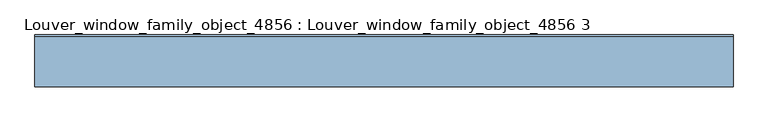
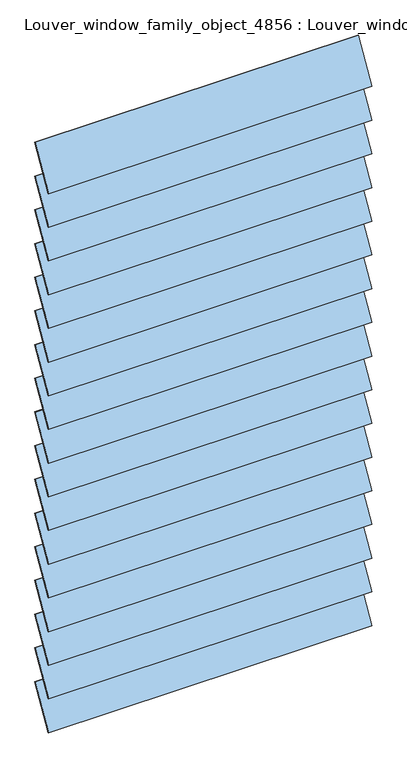
"""IFC4 building model written with IfcOpenShell, lengths in millimetres: window geometry, Louver_window_family_object_4856 : Louver_window_family_object_4856 3."""

from ifc_helpers import new_model, si_unit, point, frame, frame_2d, origin, place, context, project, spatial, polyline, circle_curve, trimmed, segment, composite_curve, outline, extrude, source, transform, mapped, element, save


def louver_window_family_object_4856_louver_window_family_object_f98d7ef6(model_context):
    return source(origin(), model_context, "Body", "SweptSolid", [
        extrude(outline(composite_curve([segment(polyline([(39.4665462, 3122.7080632), (-36.7169155, 2990.7544368)]), True, "CONTINUOUS"), segment(trimmed(circle_curve(frame_2d((0.0, 3057.525)), 76.2), [point((-36.7169155, 2990.7544368))], [point((-39.4665462, 2992.3419368))], False, "CARTESIAN"), True, "CONTINUOUS"), segment(polyline([(-39.4665462, 2992.3419368), (36.7169155, 3124.2955632)]), True, "CONTINUOUS"), segment(trimmed(circle_curve(frame_2d((0.0, 3057.525)), 76.2), [point((36.7169155, 3124.2955632))], [point((39.4665462, 3122.7080632))], False, "CARTESIAN"), True, "CONTINUOUS")], self_intersect=False)), frame((-533.4, 0.0, 0.0), z_axis=(1.0, 0.0, 0.0), x_axis=(0.0, 1.0, 0.0)), (0.0, 0.0, 1.0), 1066.8),
        extrude(outline(composite_curve([segment(polyline([(39.4665462, 3005.2330632), (-36.7169155, 2873.2794368)]), True, "CONTINUOUS"), segment(trimmed(circle_curve(frame_2d((0.0, 2940.05)), 76.2), [point((-36.7169155, 2873.2794368))], [point((-39.4665462, 2874.8669368))], False, "CARTESIAN"), True, "CONTINUOUS"), segment(polyline([(-39.4665462, 2874.8669368), (36.7169155, 3006.8205632)]), True, "CONTINUOUS"), segment(trimmed(circle_curve(frame_2d((0.0, 2940.05)), 76.2), [point((36.7169155, 3006.8205632))], [point((39.4665462, 3005.2330632))], False, "CARTESIAN"), True, "CONTINUOUS")], self_intersect=False)), frame((-533.4, 0.0, 0.0), z_axis=(1.0, 0.0, 0.0), x_axis=(0.0, 1.0, 0.0)), (0.0, 0.0, 1.0), 1066.8),
        extrude(outline(composite_curve([segment(polyline([(39.4665462, 2887.7580632), (-36.7169155, 2755.8044368)]), True, "CONTINUOUS"), segment(trimmed(circle_curve(frame_2d((0.0, 2822.575)), 76.2), [point((-36.7169155, 2755.8044368))], [point((-39.4665462, 2757.3919368))], False, "CARTESIAN"), True, "CONTINUOUS"), segment(polyline([(-39.4665462, 2757.3919368), (36.7169155, 2889.3455632)]), True, "CONTINUOUS"), segment(trimmed(circle_curve(frame_2d((0.0, 2822.575)), 76.2), [point((36.7169155, 2889.3455632))], [point((39.4665462, 2887.7580632))], False, "CARTESIAN"), True, "CONTINUOUS")], self_intersect=False)), frame((-533.4, 0.0, 0.0), z_axis=(1.0, 0.0, 0.0), x_axis=(0.0, 1.0, 0.0)), (0.0, 0.0, 1.0), 1066.8),
        extrude(outline(composite_curve([segment(polyline([(39.4665462, 2770.2830632), (-36.7169155, 2638.3294368)]), True, "CONTINUOUS"), segment(trimmed(circle_curve(frame_2d((0.0, 2705.1)), 76.2), [point((-36.7169155, 2638.3294368))], [point((-39.4665462, 2639.9169368))], False, "CARTESIAN"), True, "CONTINUOUS"), segment(polyline([(-39.4665462, 2639.9169368), (36.7169155, 2771.8705632)]), True, "CONTINUOUS"), segment(trimmed(circle_curve(frame_2d((0.0, 2705.1)), 76.2), [point((36.7169155, 2771.8705632))], [point((39.4665462, 2770.2830632))], False, "CARTESIAN"), True, "CONTINUOUS")], self_intersect=False)), frame((-533.4, 0.0, 0.0), z_axis=(1.0, 0.0, 0.0), x_axis=(0.0, 1.0, 0.0)), (0.0, 0.0, 1.0), 1066.8),
        extrude(outline(composite_curve([segment(polyline([(39.4665462, 2652.8080632), (-36.7169155, 2520.8544368)]), True, "CONTINUOUS"), segment(trimmed(circle_curve(frame_2d((0.0, 2587.625)), 76.2), [point((-36.7169155, 2520.8544368))], [point((-39.4665462, 2522.4419368))], False, "CARTESIAN"), True, "CONTINUOUS"), segment(polyline([(-39.4665462, 2522.4419368), (36.7169155, 2654.3955632)]), True, "CONTINUOUS"), segment(trimmed(circle_curve(frame_2d((0.0, 2587.625)), 76.2), [point((36.7169155, 2654.3955632))], [point((39.4665462, 2652.8080632))], False, "CARTESIAN"), True, "CONTINUOUS")], self_intersect=False)), frame((-533.4, 0.0, 0.0), z_axis=(1.0, 0.0, 0.0), x_axis=(0.0, 1.0, 0.0)), (0.0, 0.0, 1.0), 1066.8),
        extrude(outline(composite_curve([segment(polyline([(39.4665462, 2535.3330632), (-36.7169155, 2403.3794368)]), True, "CONTINUOUS"), segment(trimmed(circle_curve(frame_2d((0.0, 2470.15)), 76.2), [point((-36.7169155, 2403.3794368))], [point((-39.4665462, 2404.9669368))], False, "CARTESIAN"), True, "CONTINUOUS"), segment(polyline([(-39.4665462, 2404.9669368), (36.7169155, 2536.9205632)]), True, "CONTINUOUS"), segment(trimmed(circle_curve(frame_2d((0.0, 2470.15)), 76.2), [point((36.7169155, 2536.9205632))], [point((39.4665462, 2535.3330632))], False, "CARTESIAN"), True, "CONTINUOUS")], self_intersect=False)), frame((-533.4, 0.0, 0.0), z_axis=(1.0, 0.0, 0.0), x_axis=(0.0, 1.0, 0.0)), (0.0, 0.0, 1.0), 1066.8),
        extrude(outline(composite_curve([segment(polyline([(39.4665462, 2417.8580632), (-36.7169155, 2285.9044368)]), True, "CONTINUOUS"), segment(trimmed(circle_curve(frame_2d((0.0, 2352.675)), 76.2), [point((-36.7169155, 2285.9044368))], [point((-39.4665462, 2287.4919368))], False, "CARTESIAN"), True, "CONTINUOUS"), segment(polyline([(-39.4665462, 2287.4919368), (36.7169155, 2419.4455632)]), True, "CONTINUOUS"), segment(trimmed(circle_curve(frame_2d((0.0, 2352.675)), 76.2), [point((36.7169155, 2419.4455632))], [point((39.4665462, 2417.8580632))], False, "CARTESIAN"), True, "CONTINUOUS")], self_intersect=False)), frame((-533.4, 0.0, 0.0), z_axis=(1.0, 0.0, 0.0), x_axis=(0.0, 1.0, 0.0)), (0.0, 0.0, 1.0), 1066.8),
        extrude(outline(composite_curve([segment(polyline([(39.4665462, 2300.3830632), (-36.7169155, 2168.4294368)]), True, "CONTINUOUS"), segment(trimmed(circle_curve(frame_2d((0.0, 2235.2)), 76.2), [point((-36.7169155, 2168.4294368))], [point((-39.4665462, 2170.0169368))], False, "CARTESIAN"), True, "CONTINUOUS"), segment(polyline([(-39.4665462, 2170.0169368), (36.7169155, 2301.9705632)]), True, "CONTINUOUS"), segment(trimmed(circle_curve(frame_2d((0.0, 2235.2)), 76.2), [point((36.7169155, 2301.9705632))], [point((39.4665462, 2300.3830632))], False, "CARTESIAN"), True, "CONTINUOUS")], self_intersect=False)), frame((-533.4, 0.0, 0.0), z_axis=(1.0, 0.0, 0.0), x_axis=(0.0, 1.0, 0.0)), (0.0, 0.0, 1.0), 1066.8),
        extrude(outline(composite_curve([segment(polyline([(39.4665462, 2182.9080632), (-36.7169155, 2050.9544368)]), True, "CONTINUOUS"), segment(trimmed(circle_curve(frame_2d((0.0, 2117.725)), 76.2), [point((-36.7169155, 2050.9544368))], [point((-39.4665462, 2052.5419368))], False, "CARTESIAN"), True, "CONTINUOUS"), segment(polyline([(-39.4665462, 2052.5419368), (36.7169155, 2184.4955632)]), True, "CONTINUOUS"), segment(trimmed(circle_curve(frame_2d((0.0, 2117.725)), 76.2), [point((36.7169155, 2184.4955632))], [point((39.4665462, 2182.9080632))], False, "CARTESIAN"), True, "CONTINUOUS")], self_intersect=False)), frame((-533.4, 0.0, 0.0), z_axis=(1.0, 0.0, 0.0), x_axis=(0.0, 1.0, 0.0)), (0.0, 0.0, 1.0), 1066.8),
        extrude(outline(composite_curve([segment(polyline([(39.4665462, 2065.4330632), (-36.7169155, 1933.4794368)]), True, "CONTINUOUS"), segment(trimmed(circle_curve(frame_2d((0.0, 2000.25)), 76.2), [point((-36.7169155, 1933.4794368))], [point((-39.4665462, 1935.0669368))], False, "CARTESIAN"), True, "CONTINUOUS"), segment(polyline([(-39.4665462, 1935.0669368), (36.7169155, 2067.0205632)]), True, "CONTINUOUS"), segment(trimmed(circle_curve(frame_2d((0.0, 2000.25)), 76.2), [point((36.7169155, 2067.0205632))], [point((39.4665462, 2065.4330632))], False, "CARTESIAN"), True, "CONTINUOUS")], self_intersect=False)), frame((-533.4, 0.0, 0.0), z_axis=(1.0, 0.0, 0.0), x_axis=(0.0, 1.0, 0.0)), (0.0, 0.0, 1.0), 1066.8),
        extrude(outline(composite_curve([segment(polyline([(39.4665462, 1947.9580632), (-36.7169155, 1816.0044368)]), True, "CONTINUOUS"), segment(trimmed(circle_curve(frame_2d((0.0, 1882.775)), 76.2), [point((-36.7169155, 1816.0044368))], [point((-39.4665462, 1817.5919368))], False, "CARTESIAN"), True, "CONTINUOUS"), segment(polyline([(-39.4665462, 1817.5919368), (36.7169155, 1949.5455632)]), True, "CONTINUOUS"), segment(trimmed(circle_curve(frame_2d((0.0, 1882.775)), 76.2), [point((36.7169155, 1949.5455632))], [point((39.4665462, 1947.9580632))], False, "CARTESIAN"), True, "CONTINUOUS")], self_intersect=False)), frame((-533.4, 0.0, 0.0), z_axis=(1.0, 0.0, 0.0), x_axis=(0.0, 1.0, 0.0)), (0.0, 0.0, 1.0), 1066.8),
        extrude(outline(composite_curve([segment(polyline([(39.4665462, 1830.4830632), (-36.7169155, 1698.5294368)]), True, "CONTINUOUS"), segment(trimmed(circle_curve(frame_2d((0.0, 1765.3)), 76.2), [point((-36.7169155, 1698.5294368))], [point((-39.4665462, 1700.1169368))], False, "CARTESIAN"), True, "CONTINUOUS"), segment(polyline([(-39.4665462, 1700.1169368), (36.7169155, 1832.0705632)]), True, "CONTINUOUS"), segment(trimmed(circle_curve(frame_2d((0.0, 1765.3)), 76.2), [point((36.7169155, 1832.0705632))], [point((39.4665462, 1830.4830632))], False, "CARTESIAN"), True, "CONTINUOUS")], self_intersect=False)), frame((-533.4, 0.0, 0.0), z_axis=(1.0, 0.0, 0.0), x_axis=(0.0, 1.0, 0.0)), (0.0, 0.0, 1.0), 1066.8),
        extrude(outline(composite_curve([segment(polyline([(39.4665462, 1713.0080632), (-36.7169155, 1581.0544368)]), True, "CONTINUOUS"), segment(trimmed(circle_curve(frame_2d((0.0, 1647.825)), 76.2), [point((-36.7169155, 1581.0544368))], [point((-39.4665462, 1582.6419368))], False, "CARTESIAN"), True, "CONTINUOUS"), segment(polyline([(-39.4665462, 1582.6419368), (36.7169155, 1714.5955632)]), True, "CONTINUOUS"), segment(trimmed(circle_curve(frame_2d((0.0, 1647.825)), 76.2), [point((36.7169155, 1714.5955632))], [point((39.4665462, 1713.0080632))], False, "CARTESIAN"), True, "CONTINUOUS")], self_intersect=False)), frame((-533.4, 0.0, 0.0), z_axis=(1.0, 0.0, 0.0), x_axis=(0.0, 1.0, 0.0)), (0.0, 0.0, 1.0), 1066.8),
        extrude(outline(composite_curve([segment(polyline([(39.4665462, 1595.5330632), (-36.7169155, 1463.5794368)]), True, "CONTINUOUS"), segment(trimmed(circle_curve(frame_2d((0.0, 1530.35)), 76.2), [point((-36.7169155, 1463.5794368))], [point((-39.4665462, 1465.1669368))], False, "CARTESIAN"), True, "CONTINUOUS"), segment(polyline([(-39.4665462, 1465.1669368), (36.7169155, 1597.1205632)]), True, "CONTINUOUS"), segment(trimmed(circle_curve(frame_2d((0.0, 1530.35)), 76.2), [point((36.7169155, 1597.1205632))], [point((39.4665462, 1595.5330632))], False, "CARTESIAN"), True, "CONTINUOUS")], self_intersect=False)), frame((-533.4, 0.0, 0.0), z_axis=(1.0, 0.0, 0.0), x_axis=(0.0, 1.0, 0.0)), (0.0, 0.0, 1.0), 1066.8),
        extrude(outline(composite_curve([segment(polyline([(39.4665462, 1478.0580632), (-36.7169155, 1346.1044368)]), True, "CONTINUOUS"), segment(trimmed(circle_curve(frame_2d((0.0, 1412.875)), 76.2), [point((-36.7169155, 1346.1044368))], [point((-39.4665462, 1347.6919368))], False, "CARTESIAN"), True, "CONTINUOUS"), segment(polyline([(-39.4665462, 1347.6919368), (36.7169155, 1479.6455632)]), True, "CONTINUOUS"), segment(trimmed(circle_curve(frame_2d((0.0, 1412.875)), 76.2), [point((36.7169155, 1479.6455632))], [point((39.4665462, 1478.0580632))], False, "CARTESIAN"), True, "CONTINUOUS")], self_intersect=False)), frame((-533.4, 0.0, 0.0), z_axis=(1.0, 0.0, 0.0), x_axis=(0.0, 1.0, 0.0)), (0.0, 0.0, 1.0), 1066.8),
        extrude(outline(composite_curve([segment(polyline([(39.4665462, 3240.1830632), (-36.7169155, 3108.2294368)]), True, "CONTINUOUS"), segment(trimmed(circle_curve(frame_2d((0.0, 3175.0)), 76.2), [point((-36.7169155, 3108.2294368))], [point((-39.4665462, 3109.8169368))], False, "CARTESIAN"), True, "CONTINUOUS"), segment(polyline([(-39.4665462, 3109.8169368), (36.7169155, 3241.7705632)]), True, "CONTINUOUS"), segment(trimmed(circle_curve(frame_2d((0.0, 3175.0)), 76.2), [point((36.7169155, 3241.7705632))], [point((39.4665462, 3240.1830632))], False, "CARTESIAN"), True, "CONTINUOUS")], self_intersect=False)), frame((-533.4, 0.0, 0.0), z_axis=(1.0, 0.0, 0.0), x_axis=(0.0, 1.0, 0.0)), (0.0, 0.0, 1.0), 1066.8),
        extrude(outline(composite_curve([segment(polyline([(39.4665462, 1360.5830632), (-36.7169155, 1228.6294368)]), True, "CONTINUOUS"), segment(trimmed(circle_curve(frame_2d((0.0, 1295.4)), 76.2), [point((-36.7169155, 1228.6294368))], [point((-39.4665462, 1230.2169368))], False, "CARTESIAN"), True, "CONTINUOUS"), segment(polyline([(-39.4665462, 1230.2169368), (36.7169155, 1362.1705632)]), True, "CONTINUOUS"), segment(trimmed(circle_curve(frame_2d((0.0, 1295.4)), 76.2), [point((36.7169155, 1362.1705632))], [point((39.4665462, 1360.5830632))], False, "CARTESIAN"), True, "CONTINUOUS")], self_intersect=False)), frame((-533.4, 0.0, 0.0), z_axis=(1.0, 0.0, 0.0), x_axis=(0.0, 1.0, 0.0)), (0.0, 0.0, 1.0), 1066.8),
    ])


if __name__ == "__main__":
    model = new_model("IFC4")
    model_context = context("Model", 3, world=origin())
    ifc_project = project(units=[si_unit("LENGTHUNIT", "METRE", prefix="MILLI")], contexts=[model_context])
    site = spatial("IfcSite", under=ifc_project)
    building = spatial("IfcBuilding", under=site)
    placement = place(None, origin())
    louver_window_family_object_4856_louver_window_family_object_shape = louver_window_family_object_4856_louver_window_family_object_f98d7ef6(model_context)
    element("IfcWindow", 1, ObjectType="Louver_window_family_object_4856 : Louver_window_family_object_4856 3", at=placement, inside=building, context=model_context, shape_type="MappedRepresentation", body=[
        mapped(louver_window_family_object_4856_louver_window_family_object_shape, transform((0.0, 0.0, 0.0), x_axis=(1.0, 0.0, 0.0), y_axis=(0.0, 1.0, 0.0), z_axis=(0.0, 0.0, 1.0))),
    ])
    save(model, "model.ifc")
